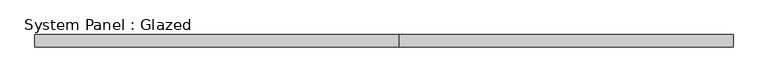
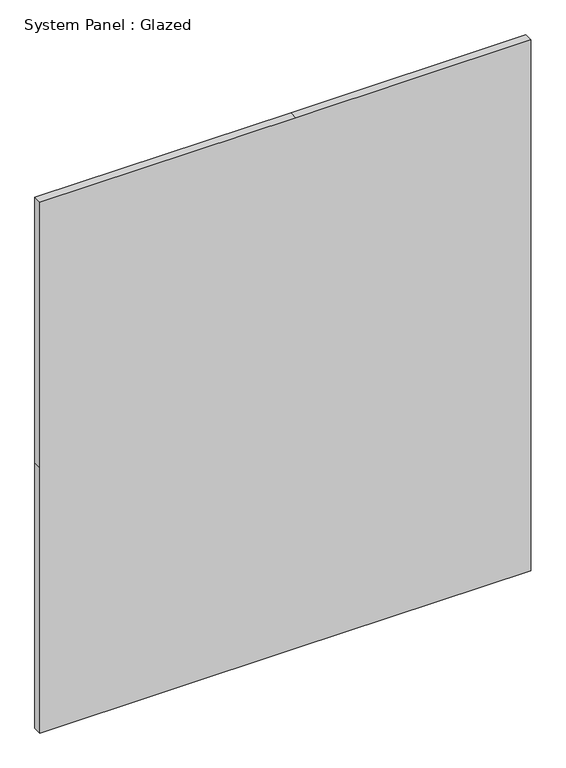
"""IFC4 building model written with IfcOpenShell, lengths in millimetres: plate geometry, System Panel : Glazed."""

from ifc_helpers import new_model, si_unit, frame, origin, place, context, project, spatial, polyline, outline, extrude, source, transform, mapped, element, save


def system_panel_glazed_a4181cc6(model_context):
    return source(origin(), model_context, "Body", "SweptSolid", [
        extrude(outline(polyline([(0.0, -726.0166667), (0.0, 31.75), (0.0, 726.0166667), (830.0357143, 726.0166667), (1660.0714286, 726.0166667), (1660.0714286, 31.75), (1660.0714286, -726.0166667), (830.0357143, -726.0166667), (0.0, -726.0166667)])), frame((0.0, 19.05, 0.0), z_axis=(0.0, 1.0, 0.0), x_axis=(0.0, 0.0, 1.0)), (0.0, 0.0, 1.0), 25.4),
    ])


if __name__ == "__main__":
    model = new_model("IFC4")
    model_context = context("Model", 3, world=origin())
    ifc_project = project(units=[si_unit("LENGTHUNIT", "METRE", prefix="MILLI")], contexts=[model_context])
    site = spatial("IfcSite", under=ifc_project)
    building = spatial("IfcBuilding", under=site)
    placement = place(None, origin())
    system_panel_glazed_shape = system_panel_glazed_a4181cc6(model_context)
    element("IfcPlate", 1, ObjectType="System Panel : Glazed", at=placement, inside=building, context=model_context, shape_type="MappedRepresentation", body=[
        mapped(system_panel_glazed_shape, transform((0.0, 0.0, 0.0), x_axis=(1.0, 0.0, 0.0), y_axis=(0.0, 1.0, 0.0), z_axis=(0.0, 0.0, 1.0))),
    ])
    save(model, "model.ifc")
